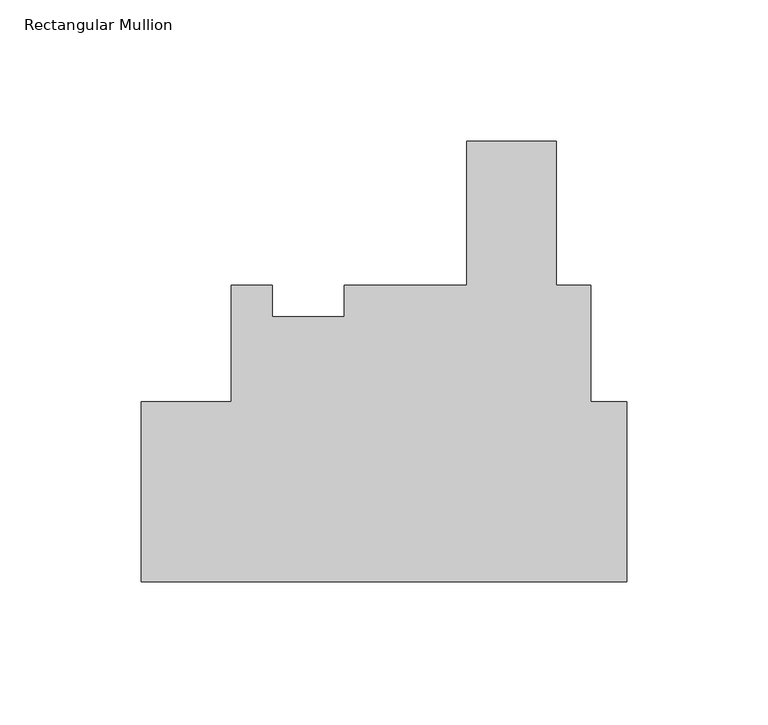
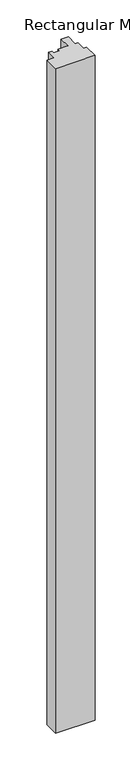
"""IFC4 building model written with IfcOpenShell, lengths in millimetres: member geometry, Rectangular Mullion."""

from ifc_helpers import new_model, si_unit, frame, origin, place, context, project, spatial, polyline, outline, extrude, source, transform, mapped, element, save


def rectangular_mullion_353d1ae3(model_context):
    return source(origin(), model_context, "Body", "SweptSolid", [
        extrude(outline(polyline([(-139.6999999, 63.5254), (-139.6999999, 104.7749997), (-125.1975059, 104.7749997), (-125.1975059, 93.6624997), (-99.7968148, 93.6624997), (-99.7968148, 104.7749997), (-56.5105707, 104.7749997), (-56.5105707, 155.5812308), (-24.7605707, 155.5812308), (-24.7605707, 104.7749997), (-12.7010309, 104.7749997), (-12.7010309, 63.5322656), (0.0, 63.5322656), (0.0, 0.0), (-171.4499999, 0.0), (-171.4499999, 63.5254), (-139.6999999, 63.5254)])), frame((0.0, 0.0, -3048.0), z_axis=(0.0, 0.0, 1.0), x_axis=(1.0, 0.0, 0.0)), (0.0, 0.0, 1.0), 3048.0),
    ])


if __name__ == "__main__":
    model = new_model("IFC4")
    model_context = context("Model", 3, world=origin())
    ifc_project = project(units=[si_unit("LENGTHUNIT", "METRE", prefix="MILLI")], contexts=[model_context])
    site = spatial("IfcSite", under=ifc_project)
    building = spatial("IfcBuilding", under=site)
    placement = place(None, origin())
    rectangular_mullion_shape = rectangular_mullion_353d1ae3(model_context)
    element("IfcMember", 1, ObjectType="Rectangular Mullion", at=placement, inside=building, context=model_context, shape_type="MappedRepresentation", body=[
        mapped(rectangular_mullion_shape, transform((0.0, 0.0, 0.0), x_axis=(1.0, 0.0, 0.0), y_axis=(0.0, 1.0, 0.0), z_axis=(0.0, 0.0, 1.0))),
    ])
    save(model, "model.ifc")
